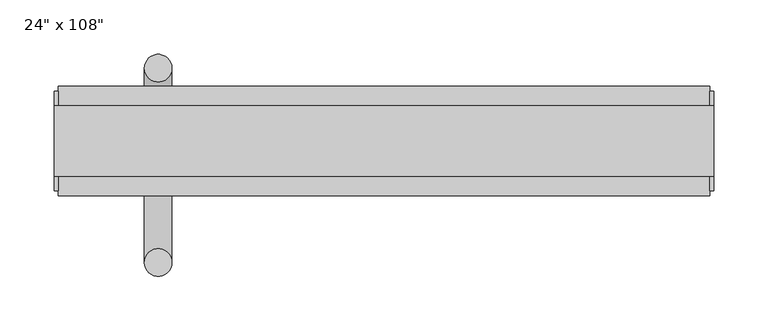
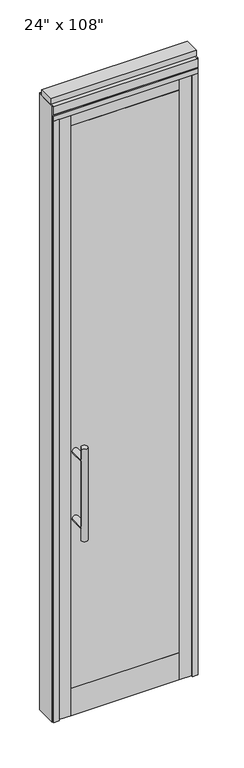
"""IFC4 building model written with IfcOpenShell, lengths in millimetres: furniture geometry."""

from ifc_helpers import new_model, si_unit, frame, origin, origin_with_axes, place, context, project, spatial, polyline, circle_curve, ellipse_curve, outline, extrude, source, transform, mapped, element, save
from ifc_brep_helpers import plane_surface, cylinder_surface, advanced_brep


def furniture_321aeba1(model_context):
    return source(origin(), model_context, "Body", "SolidModel", [
        extrude(outline(polyline([(165.2614771, -48.9677216), (-285.3345229, -48.9677216), (-285.3345229, -38.8077216), (165.2614771, -38.8077216), (165.2614771, -48.9677216)])), frame((0.0, 0.0, 120.65), z_axis=(0.0, 0.0, 1.0), x_axis=(1.0, 0.0, 0.0)), (0.0, 0.0, 1.0), 2482.85),
        extrude(outline(polyline([(165.2614771, -14.6777216), (-285.3345229, -14.6777216), (-285.3345229, -4.5177216), (165.2614771, -4.5177216), (165.2614771, -14.6777216)])), frame((0.0, 0.0, 120.65), z_axis=(0.0, 0.0, 1.0), x_axis=(1.0, 0.0, 0.0)), (0.0, 0.0, 1.0), 2482.85),
        advanced_brep(
        [(-281.3975229, 63.0462784, 1219.2), (-255.9975229, 63.0462784, 1219.2), (-281.3975229, 63.0462784, 812.8), (-255.9975229, 63.0462784, 812.8), (-255.9975229, 63.0462784, 1164.336), (-255.9975229, 63.0462784, 867.664), (-281.3975229, 63.0462784, 867.664), (-281.3975229, 63.0462784, 1164.336), (-281.3975229, -4.5177216, 1164.336), (-255.9975229, -4.5177216, 1164.336), (-281.3975229, -4.5177216, 867.664), (-255.9975229, -4.5177216, 867.664)],
        [
            (0, 1, circle_curve(frame((-268.6975229, 63.0462784, 1219.2), z_axis=(0.0, 0.0, 1.0), x_axis=(1.0, 0.0, 0.0)), 12.7)),
            (1, 0, circle_curve(frame((-268.6975229, 63.0462784, 1219.2), z_axis=(0.0, 0.0, 1.0), x_axis=(1.0, 0.0, 0.0)), 12.7)),
            (2, 3, circle_curve(frame((-268.6975229, 63.0462784, 812.8), z_axis=(0.0, 0.0, -1.0), x_axis=(1.0, 0.0, 0.0)), 12.7)),
            (3, 2, circle_curve(frame((-268.6975229, 63.0462784, 812.8), z_axis=(0.0, 0.0, -1.0), x_axis=(1.0, 0.0, 0.0)), 12.7)),
            (1, 4),
            (4, 5),
            (5, 3),
            (2, 6),
            (6, 7),
            (7, 0),
            (6, 5, ellipse_curve(frame((-268.6975229, 63.0462784, 867.664), z_axis=(0.0, 0.707106781186565, 0.70710678118653), x_axis=(0.0, -0.70710678118653, 0.707106781186565)), 17.9605122, 12.7)),
            (4, 7, ellipse_curve(frame((-268.6975229, 63.0462784, 1164.336), z_axis=(0.0, 0.70710678118653, -0.7071067811865649), x_axis=(0.0, 0.7071067811865648, 0.7071067811865301)), 17.9605122, 12.7)),
            (7, 4, ellipse_curve(frame((-268.6975229, 63.0462784, 1164.336), z_axis=(0.0, 0.707106781186565, 0.70710678118653), x_axis=(0.0, -0.70710678118653, 0.707106781186565)), 17.9605122, 12.7)),
            (5, 6, ellipse_curve(frame((-268.6975229, 63.0462784, 867.664), z_axis=(0.0, 0.70710678118653, -0.7071067811865649), x_axis=(0.0, 0.7071067811865648, 0.7071067811865301)), 17.9605122, 12.7)),
            (8, 9, circle_curve(frame((-268.6975229, -4.5177216, 1164.336), z_axis=(0.0, -1.0, 0.0), x_axis=(1.0, 0.0, 0.0)), 12.7)),
            (9, 8, circle_curve(frame((-268.6975229, -4.5177216, 1164.336), z_axis=(0.0, -1.0, 0.0), x_axis=(1.0, 0.0, 0.0)), 12.7)),
            (8, 7),
            (4, 9),
            (10, 11, circle_curve(frame((-268.6975229, -4.5177216, 867.664), z_axis=(0.0, -1.0, 0.0), x_axis=(1.0, 0.0, 0.0)), 12.7)),
            (11, 10, circle_curve(frame((-268.6975229, -4.5177216, 867.664), z_axis=(0.0, -1.0, 0.0), x_axis=(1.0, 0.0, 0.0)), 12.7)),
            (10, 6),
            (5, 11),
        ],
        [
            plane_surface(frame((-255.9975229, 63.0462784, 1219.2), z_axis=(0.0, 0.0, 1.0), x_axis=(0.0, -1.0, 0.0))),
            plane_surface(frame((-255.9975229, 63.0462784, 812.8), z_axis=(0.0, 0.0, -1.0), x_axis=(0.0, 1.0, 0.0))),
            cylinder_surface(frame((-268.6975229, 63.0462784, 812.8), z_axis=(0.0, 0.0, 1.0), x_axis=(1.0, 0.0, 0.0)), 12.7),
            plane_surface(frame((-255.9975229, -4.5177216, 1164.336), z_axis=(0.0, -1.0, 0.0), x_axis=(0.0, 0.0, -1.0))),
            cylinder_surface(frame((-268.6975229, -4.5177216, 1164.336), z_axis=(0.0, 1.0, 0.0), x_axis=(1.0, 0.0, 0.0)), 12.7),
            plane_surface(frame((-255.9975229, -4.5177216, 867.664), z_axis=(0.0, -1.0, 0.0), x_axis=(0.0, 0.0, -1.0))),
            cylinder_surface(frame((-268.6975229, -4.5177216, 867.664), z_axis=(0.0, 1.0, 0.0), x_axis=(1.0, 0.0, 0.0)), 12.7),
        ],
        [
            (0, [[1, 2]]),
            (1, [[3, 4]]),
            (2, [[5, 6, 7, -3, 8, 9, 10, -2]]),
            (2, [[-9, 11, -6, 12]]),
            (2, [[-10, 13, -5, -1]]),
            (2, [[-7, 14, -8, -4]]),
            (3, [[15, 16]]),
            (4, [[17, -12, 18, -15]]),
            (4, [[-18, -13, -17, -16]]),
            (5, [[19, 20]]),
            (6, [[21, -14, 22, -19]]),
            (6, [[-22, -11, -21, -20]]),
        ],
    ),
        advanced_brep(
        [(-281.3975229, -116.5317216, 1219.2), (-255.9975229, -116.5317216, 1219.2), (-281.3975229, -116.5317216, 812.8), (-255.9975229, -116.5317216, 812.8), (-281.3975229, -116.5317216, 1164.336), (-281.3975229, -116.5317216, 867.664), (-255.9975229, -116.5317216, 867.664), (-255.9975229, -116.5317216, 1164.336), (-281.3975229, -48.9677216, 1164.336), (-255.9975229, -48.9677216, 1164.336), (-281.3975229, -48.9677216, 867.664), (-255.9975229, -48.9677216, 867.664)],
        [
            (0, 1, circle_curve(frame((-268.6975229, -116.5317216, 1219.2), z_axis=(0.0, 0.0, 1.0), x_axis=(1.0, 0.0, 0.0)), 12.7)),
            (1, 0, circle_curve(frame((-268.6975229, -116.5317216, 1219.2), z_axis=(0.0, 0.0, 1.0), x_axis=(1.0, 0.0, 0.0)), 12.7)),
            (2, 3, circle_curve(frame((-268.6975229, -116.5317216, 812.8), z_axis=(0.0, 0.0, -1.0), x_axis=(1.0, 0.0, 0.0)), 12.7)),
            (3, 2, circle_curve(frame((-268.6975229, -116.5317216, 812.8), z_axis=(0.0, 0.0, -1.0), x_axis=(1.0, 0.0, 0.0)), 12.7)),
            (0, 4),
            (4, 5),
            (5, 2),
            (3, 6),
            (6, 7),
            (7, 1),
            (7, 4, ellipse_curve(frame((-268.6975229, -116.5317216, 1164.336), z_axis=(0.0, -0.707106781186565, 0.70710678118653), x_axis=(0.0, 0.70710678118653, 0.707106781186565)), 17.9605122, 12.7)),
            (5, 6, ellipse_curve(frame((-268.6975229, -116.5317216, 867.664), z_axis=(0.0, -0.70710678118653, -0.7071067811865649), x_axis=(0.0, -0.7071067811865648, 0.7071067811865301)), 17.9605122, 12.7)),
            (4, 7, ellipse_curve(frame((-268.6975229, -116.5317216, 1164.336), z_axis=(0.0, -0.70710678118653, -0.7071067811865649), x_axis=(0.0, -0.7071067811865648, 0.7071067811865301)), 17.9605122, 12.7)),
            (6, 5, ellipse_curve(frame((-268.6975229, -116.5317216, 867.664), z_axis=(0.0, -0.707106781186565, 0.70710678118653), x_axis=(0.0, 0.70710678118653, 0.707106781186565)), 17.9605122, 12.7)),
            (8, 9, circle_curve(frame((-268.6975229, -48.9677216, 1164.336), z_axis=(0.0, 1.0, 0.0), x_axis=(1.0, 0.0, 0.0)), 12.7)),
            (9, 8, circle_curve(frame((-268.6975229, -48.9677216, 1164.336), z_axis=(0.0, 1.0, 0.0), x_axis=(1.0, 0.0, 0.0)), 12.7)),
            (9, 7),
            (4, 8),
            (10, 11, circle_curve(frame((-268.6975229, -48.9677216, 867.664), z_axis=(0.0, 1.0, 0.0), x_axis=(1.0, 0.0, 0.0)), 12.7)),
            (11, 10, circle_curve(frame((-268.6975229, -48.9677216, 867.664), z_axis=(0.0, 1.0, 0.0), x_axis=(1.0, 0.0, 0.0)), 12.7)),
            (11, 6),
            (5, 10),
        ],
        [
            plane_surface(frame((-255.9975229, -116.5317216, 1219.2), z_axis=(0.0, 0.0, 1.0), x_axis=(0.0, 1.0, 0.0))),
            plane_surface(frame((-255.9975229, -116.5317216, 812.8), z_axis=(0.0, 0.0, -1.0), x_axis=(0.0, -1.0, 0.0))),
            cylinder_surface(frame((-268.6975229, -116.5317216, 812.8), z_axis=(0.0, 0.0, 1.0), x_axis=(1.0, 0.0, 0.0)), 12.7),
            plane_surface(frame((-255.9975229, -48.9677216, 1164.336), z_axis=(0.0, 1.0, 0.0), x_axis=(0.0, 0.0, -1.0))),
            cylinder_surface(frame((-268.6975229, -48.9677216, 1164.336), z_axis=(0.0, -1.0, 0.0), x_axis=(1.0, 0.0, 0.0)), 12.7),
            plane_surface(frame((-255.9975229, -48.9677216, 867.664), z_axis=(0.0, 1.0, 0.0), x_axis=(0.0, 0.0, -1.0))),
            cylinder_surface(frame((-268.6975229, -48.9677216, 867.664), z_axis=(0.0, -1.0, 0.0), x_axis=(1.0, 0.0, 0.0)), 12.7),
        ],
        [
            (0, [[1, 2]]),
            (1, [[3, 4]]),
            (2, [[-1, 5, 6, 7, -4, 8, 9, 10]]),
            (2, [[-2, -10, 11, -5]]),
            (2, [[-3, -7, 12, -8]]),
            (2, [[13, -9, 14, -6]]),
            (3, [[15, 16]]),
            (4, [[-16, 17, -13, 18]]),
            (4, [[-15, -18, -11, -17]]),
            (5, [[19, 20]]),
            (6, [[-20, 21, -12, 22]]),
            (6, [[-19, -22, -14, -21]]),
        ],
    ),
        extrude(outline(polyline([(165.7694771, -48.9677216), (-284.8265229, -48.9677216), (-284.8265229, -4.5177216), (165.7694771, -4.5177216), (165.7694771, -48.9677216)])), frame((0.0, 0.0, 2603.5), z_axis=(0.0, 0.0, 1.0), x_axis=(1.0, 0.0, 0.0)), (0.0, 0.0, 1.0), 50.8),
        extrude(outline(polyline([(165.7694771, -48.9677216), (-284.8265229, -48.9677216), (-284.8265229, -4.5177216), (165.7694771, -4.5177216), (165.7694771, -48.9677216)])), origin_with_axes(), (0.0, 0.0, 1.0), 120.65),
        extrude(outline(polyline([(-284.8265229, -48.9677216), (-338.6745229, -48.9677216), (-338.6745229, -4.5177216), (-284.8265229, -4.5177216), (-284.8265229, -48.9677216)])), origin_with_axes(), (0.0, 0.0, 1.0), 2654.3),
        extrude(outline(polyline([(218.6014771, -48.9677216), (165.7694771, -48.9677216), (165.7694771, -4.5177216), (218.6014771, -4.5177216), (218.6014771, -48.9677216)])), origin_with_axes(), (0.0, 0.0, 1.0), 2654.3),
        extrude(outline(polyline([(-360.8995229, 46.2822784), (-338.6745229, 46.2822784), (-338.6745229, 20.8822784), (-325.9745229, 20.8822784), (-325.9745229, -4.5177216), (-338.6745229, -4.5177216), (-338.6745229, -55.3177216), (-360.8995229, -55.3177216), (-360.8995229, 46.2822784)])), origin_with_axes(), (0.0, 0.0, 1.0), 2654.3),
        extrude(outline(polyline([(-360.8995229, -55.3177216), (-360.8995229, 46.2822784), (240.8264771, 46.2822784), (240.8264771, -55.3177216), (-360.8995229, -55.3177216)])), frame((0.0, 0.0, 2654.3), z_axis=(0.0, 0.0, 1.0), x_axis=(1.0, 0.0, 0.0)), (0.0, 0.0, 1.0), 22.225),
        extrude(outline(polyline([(244.7634771, -50.3647216), (240.8264771, -50.3647216), (240.8264771, 41.3292784), (244.7634771, 41.3292784), (244.7634771, -50.3647216)])), origin_with_axes(), (0.0, 0.0, 1.0), 2717.8),
        extrude(outline(polyline([(-364.8365229, -50.3647216), (-364.8365229, 41.3292784), (-360.8995229, 41.3292784), (-360.8995229, -50.3647216), (-364.8365229, -50.3647216)])), origin_with_axes(), (0.0, 0.0, 1.0), 2717.8),
        extrude(outline(polyline([(240.8264771, 46.2822784), (240.8264771, -55.3177216), (218.6014771, -55.3177216), (218.6014771, -4.5177216), (205.9014771, -4.5177216), (205.9014771, 20.8822784), (218.6014771, 20.8822784), (218.6014771, 46.2822784), (240.8264771, 46.2822784)])), origin_with_axes(), (0.0, 0.0, 1.0), 2654.3),
        extrude(outline(polyline([(-55.3177216, 2681.478), (-55.3177216, 2717.8), (46.2822784, 2717.8), (46.2822784, 2681.478), (41.3292784, 2681.478), (41.3292784, 2676.525), (-50.3647216, 2676.525), (-50.3647216, 2681.478), (-55.3177216, 2681.478)])), frame((-360.8995229, 0.0, 0.0), z_axis=(1.0, 0.0, 0.0), x_axis=(0.0, 1.0, 0.0)), (0.0, 0.0, 1.0), 601.726),
        extrude(outline(polyline([(-364.8365229, -37.0297216), (-364.8365229, 27.9942784), (244.7634771, 27.9942784), (244.7634771, -37.0297216), (-364.8365229, -37.0297216)])), frame((0.0, 0.0, 2717.8), z_axis=(0.0, 0.0, 1.0), x_axis=(1.0, 0.0, 0.0)), (0.0, 0.0, 1.0), 25.4),
    ])


if __name__ == "__main__":
    model = new_model("IFC4")
    model_context = context("Model", 3, world=origin())
    ifc_project = project(units=[si_unit("LENGTHUNIT", "METRE", prefix="MILLI")], contexts=[model_context])
    site = spatial("IfcSite", under=ifc_project)
    building = spatial("IfcBuilding", under=site)
    placement = place(None, origin())
    furniture_shape = furniture_321aeba1(model_context)
    element("IfcFurniture", 1, ObjectType="24\" x 108\"", at=placement, inside=building, context=model_context, shape_type="MappedRepresentation", body=[
        mapped(furniture_shape, transform((0.0, 0.0, 0.0), x_axis=(1.0, 0.0, 0.0), y_axis=(0.0, 1.0, 0.0), z_axis=(0.0, 0.0, 1.0))),
    ])
    save(model, "model.ifc")
